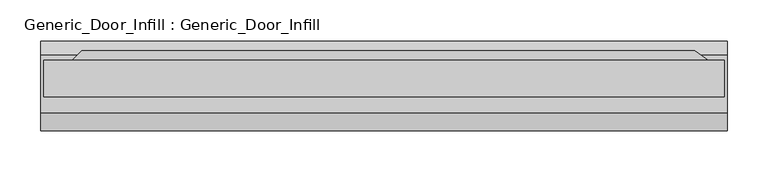
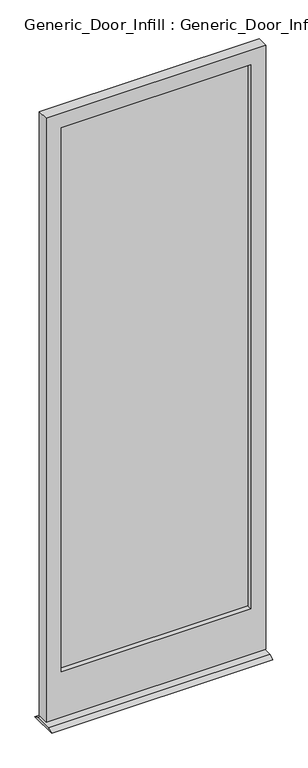
"""IFC4 building model written with IfcOpenShell, lengths in millimetres: plate geometry, Generic_Door_Infill : Generic_Door_Infill."""

import ifcopenshell
import ifcopenshell.guid

model = None  # the IFC model being written
_history = None  # IfcOwnerHistory: only IFC2X3 demands one
_inside = {}  # id of a spatial element -> (the spatial element, [elements in it])
_under = {}  # id of a project, library or spatial element -> (it, [spatial elements below it])
_declared = {}  # id of a project -> (the project, [libraries it declares])
_typed = {}  # id of a type object -> (the type object, [elements of that type])
_made_of = {}  # id of a material, layer set ... -> (it, [elements and type objects made of it])


def new_model(schema):
    """Start an empty IFC model of exactly this schema.

    Asked for "IFC4X3", IfcOpenShell would pick the latest addendum, in which some entities
    have other attributes; the version numbers below select the first issue.
    IFC2X3 requires an IfcOwnerHistory on every rooted entity: one is made here for all.
    """
    global model, _history
    if schema == "IFC4X3":
        model = ifcopenshell.file(schema_version=(4, 3, 0, 0))
    else:
        model = ifcopenshell.file(schema=schema)
    _inside.clear()
    _under.clear()
    _declared.clear()
    _typed.clear()
    _made_of.clear()
    _history = None
    if model.schema == "IFC2X3":
        org = make("IfcOrganization", Name="unknown")
        user = make(
            "IfcPersonAndOrganization",
            ThePerson=make("IfcPerson", FamilyName="unknown"),
            TheOrganization=org,
        )
        app = make(
            "IfcApplication",
            ApplicationDeveloper=org,
            Version="unknown",
            ApplicationFullName="unknown",
            ApplicationIdentifier="unknown",
        )
        _history = make(
            "IfcOwnerHistory",
            OwningUser=user,
            OwningApplication=app,
            ChangeAction="ADDED",
            CreationDate=0,
        )
    return model


def make(cls, **values):
    """One entity of the class cls with the attributes given. An attribute that is None is left unset."""
    return model.create_entity(
        cls, **{name: value for name, value in values.items() if value is not None}
    )


def rooted(cls, **values):
    """An entity with a GlobalId (a new one), such as an element, a storey or a relation."""
    return make(cls, GlobalId=ifcopenshell.guid.new(), OwnerHistory=_history, **values)


def si_unit(unit_type, name, prefix=None):
    """IfcSIUnit, for example si_unit("LENGTHUNIT", "METRE", prefix="MILLI")."""
    return make("IfcSIUnit", UnitType=unit_type, Prefix=prefix, Name=name)


def assignment(units):
    """IfcUnitAssignment: the units of a project."""
    return None if units is None else make("IfcUnitAssignment", Units=units)


def point(xyz):
    """IfcCartesianPoint."""
    return None if xyz is None else make("IfcCartesianPoint", Coordinates=xyz)


def direction(xyz):
    """IfcDirection."""
    return None if xyz is None else make("IfcDirection", DirectionRatios=xyz)


def frame(location, z_axis=None, x_axis=None):
    """IfcAxis2Placement3D, a coordinate frame: its origin and axes. An axis left out is left unset."""
    return make(
        "IfcAxis2Placement3D",
        Location=point(location),
        Axis=direction(z_axis),
        RefDirection=direction(x_axis),
    )


def origin():
    """The frame at (0, 0, 0) with its axes left unset."""
    return frame((0.0, 0.0, 0.0))


def place(relative_to, where):
    """IfcLocalPlacement: puts the frame where relative to a parent placement (None: the world)."""
    return make(
        "IfcLocalPlacement", PlacementRelTo=relative_to, RelativePlacement=where
    )


def context(
    kind, dimensions, precision=None, world=None, true_north=None, identifier=None
):
    """IfcGeometricRepresentationContext, for example the 3D "Model" context."""
    return make(
        "IfcGeometricRepresentationContext",
        ContextIdentifier=identifier,
        ContextType=kind,
        CoordinateSpaceDimension=dimensions,
        Precision=precision,
        WorldCoordinateSystem=world,
        TrueNorth=true_north,
    )


def project(units=None, contexts=None):
    """IfcProject with its units and contexts."""
    return rooted(
        "IfcProject",
        Name="project",
        RepresentationContexts=contexts,
        UnitsInContext=assignment(units),
    )


def spatial(cls, under=None, at=None, **own):
    """A site, building, storey or space (cls), placed at a placement, below another one or the project."""
    s = rooted(cls, ObjectPlacement=at, **own)
    if under is not None:
        _under.setdefault(under.id(), (under, []))[1].append(s)
    return s


def polyline(points):
    """IfcPolyline through the points."""
    return make("IfcPolyline", Points=[point(p) for p in points])


def outline(outer, holes=None, kind="AREA"):
    """IfcArbitraryClosedProfileDef: a profile drawn as a closed curve; with holes, ...WithVoids."""
    if holes is None:
        return make("IfcArbitraryClosedProfileDef", ProfileType=kind, OuterCurve=outer)
    return make(
        "IfcArbitraryProfileDefWithVoids",
        ProfileType=kind,
        OuterCurve=outer,
        InnerCurves=holes,
    )


def extrude(swept, where, along, depth):
    """IfcExtrudedAreaSolid: the profile swept, set in the frame where, extruded along a direction by depth."""
    return make(
        "IfcExtrudedAreaSolid",
        SweptArea=swept,
        Position=where,
        ExtrudedDirection=direction(along),
        Depth=depth,
    )


def shape(context_of_items, identifier, shape_type, items):
    """IfcShapeRepresentation: the items that make up one representation, for example the "Body"."""
    return make(
        "IfcShapeRepresentation",
        ContextOfItems=context_of_items,
        RepresentationIdentifier=identifier,
        RepresentationType=shape_type,
        Items=items,
    )


def source(mapping_origin, context_of_items, identifier, shape_type, items):
    """IfcRepresentationMap: a shape defined once, which mapped items show again and again."""
    return make(
        "IfcRepresentationMap",
        MappingOrigin=mapping_origin,
        MappedRepresentation=shape(context_of_items, identifier, shape_type, items),
    )


def transform(
    local_origin,
    x_axis=None,
    y_axis=None,
    z_axis=None,
    scale=None,
    scale2=None,
    scale3=None,
    uniform=True,
):
    """IfcCartesianTransformationOperator3D, or its non-uniform kind. x_axis, y_axis, z_axis: its Axis1, 2, 3."""
    if uniform:
        return make(
            "IfcCartesianTransformationOperator3D",
            Axis1=direction(x_axis),
            Axis2=direction(y_axis),
            LocalOrigin=point(local_origin),
            Scale=scale,
            Axis3=direction(z_axis),
        )
    return make(
        "IfcCartesianTransformationOperator3DnonUniform",
        Axis1=direction(x_axis),
        Axis2=direction(y_axis),
        LocalOrigin=point(local_origin),
        Scale=scale,
        Axis3=direction(z_axis),
        Scale2=scale2,
        Scale3=scale3,
    )


def mapped(mapping_source, mapping_target):
    """IfcMappedItem: shows the shape of a source again, moved by a transform."""
    return make(
        "IfcMappedItem", MappingSource=mapping_source, MappingTarget=mapping_target
    )


def made_of(thing, what):
    """Note that an element or type object is made of a material, layer set ...; save() writes the relation."""
    if what is not None:
        _made_of.setdefault(what.id(), (what, []))[1].append(thing)
    return thing


def element(
    cls,
    number,
    at=None,
    inside=None,
    cuts=None,
    type_object=None,
    material=None,
    context=None,
    identifier="Body",
    shape_type=None,
    held_by="IfcProductDefinitionShape",
    body=None,
    shapes=None,
    **own,
):
    """One element of the class cls, such as IfcWall. Its Tag is "e" and its number.

    at: its placement. inside: the storey or other place that contains it. cuts: it is an
    opening in that element (IfcRelVoidsElement). A single representation is given by context,
    identifier, shape_type and body (its items); several are given by shapes. held_by: the class
    of the entity that holds the representations. save() writes the other relations.
    """
    e = rooted(cls, Tag="e%d" % number, ObjectPlacement=at, **own)
    if body is not None:
        shapes = [shape(context, identifier, shape_type, body)]
    if shapes is not None:
        e.Representation = make(held_by, Representations=shapes)
    if inside is not None:
        _inside.setdefault(inside.id(), (inside, []))[1].append(e)
    if cuts is not None:
        rooted(
            "IfcRelVoidsElement", RelatingBuildingElement=cuts, RelatedOpeningElement=e
        )
    if type_object is not None:
        _typed.setdefault(type_object.id(), (type_object, []))[1].append(e)
    return made_of(e, material)


def aggregate(whole, parts):
    """IfcRelAggregates: a whole, such as a stair, and the parts it consists of."""
    return rooted("IfcRelAggregates", RelatingObject=whole, RelatedObjects=parts)


def save(model, path):
    """Write the relations noted so far, then the file.

    IfcRelAggregates (storeys below a building ...), IfcRelContainedInSpatialStructure (elements
    in a storey), IfcRelDefinesByType, IfcRelAssociatesMaterial and IfcRelDeclares: one each for
    every whole, place, type object, material and project.
    """
    for whole, parts in _under.values():
        aggregate(whole, parts)
    for where, things in _inside.values():
        rooted(
            "IfcRelContainedInSpatialStructure",
            RelatedElements=things,
            RelatingStructure=where,
        )
    for kind, things in _typed.values():
        rooted("IfcRelDefinesByType", RelatedObjects=things, RelatingType=kind)
    for what, things in _made_of.values():
        rooted("IfcRelAssociatesMaterial", RelatedObjects=things, RelatingMaterial=what)
    for by, libraries in _declared.values():
        rooted("IfcRelDeclares", RelatingContext=by, RelatedDefinitions=libraries)
    model.write(path)


def generic_door_infill_generic_door_infill_bdd0f88d(model_context):
    return source(origin(), model_context, "Body", "SweptSolid", [
        extrude(outline(polyline([(-369.3894878, 33.8355122), (379.8567123, 33.8355122), (405.5069821, 15.875), (-387.35, 15.875), (-369.3894878, 33.8355122)])), frame((0.0, 0.0, 1090.3849987), z_axis=(0.0, 0.0, 1.0), x_axis=(1.0, 0.0, 0.0)), (0.0, 0.0, 1.0), 78.0150013),
        extrude(outline(polyline([(-358.775, -3.175), (-358.775, 3.175), (358.775, 3.175), (358.775, -3.175), (-358.775, -3.175)])), frame((0.0, 0.0, 200.025), z_axis=(0.0, 0.0, 1.0), x_axis=(1.0, 0.0, 0.0)), (0.0, 0.0, 1.0), 2178.0499372),
        extrude(outline(polyline([(2435.2249372, 415.925), (2435.2249372, -415.925), (17.4625, -415.925), (17.4625, 415.925), (2435.2249372, 415.925)]), holes=[polyline([(2378.0749372, 358.775), (200.025, 358.775), (200.025, -358.775), (2378.0749372, -358.775), (2378.0749372, 358.775)])]), frame((0.0, -22.225, 0.0), z_axis=(0.0, 1.0, 0.0), x_axis=(0.0, 0.0, 1.0)), (0.0, 0.0, 1.0), 44.45),
        extrude(outline(polyline([(28.575, 8.0508779), (45.8401633, 0.0), (-63.3946052, 0.0), (-41.275, 8.0508779), (28.575, 8.0508779)])), frame((-419.1, 0.0, 0.0), z_axis=(1.0, 0.0, 0.0), x_axis=(0.0, 1.0, 0.0)), (0.0, 0.0, 1.0), 838.2),
    ])


if __name__ == "__main__":
    model = new_model("IFC4")
    model_context = context("Model", 3, world=origin())
    ifc_project = project(units=[si_unit("LENGTHUNIT", "METRE", prefix="MILLI")], contexts=[model_context])
    site = spatial("IfcSite", under=ifc_project)
    building = spatial("IfcBuilding", under=site)
    placement = place(None, origin())
    generic_door_infill_generic_door_infill_shape = generic_door_infill_generic_door_infill_bdd0f88d(model_context)
    element("IfcPlate", 1, ObjectType="Generic_Door_Infill : Generic_Door_Infill", at=placement, inside=building, context=model_context, shape_type="MappedRepresentation", body=[
        mapped(generic_door_infill_generic_door_infill_shape, transform((0.0, 0.0, 0.0), x_axis=(1.0, 0.0, 0.0), y_axis=(0.0, 1.0, 0.0), z_axis=(0.0, 0.0, 1.0))),
    ])
    save(model, "model.ifc")
